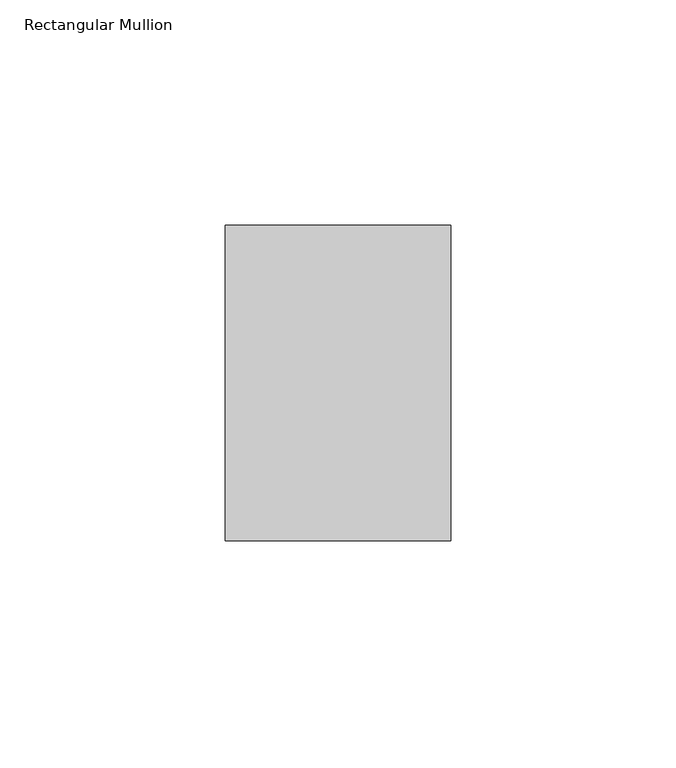
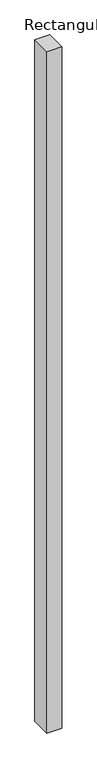
"""IFC4 building model written with IfcOpenShell, lengths in millimetres: member geometry, Rectangular Mullion."""

from ifc_helpers import new_model, si_unit, frame, origin, place, context, project, spatial, polyline, outline, extrude, source, transform, mapped, element, save


def rectangular_mullion_04bd825f(model_context):
    return source(origin(), model_context, "Body", "SweptSolid", [
        extrude(outline(polyline([(25.0, 35.0), (25.0, -35.0), (-25.0, -35.0), (-25.0, 35.0), (25.0, 35.0)])), frame((0.0, 0.0, -2425.0), z_axis=(0.0, 0.0, 1.0), x_axis=(1.0, 0.0, 0.0)), (0.0, 0.0, 1.0), 2425.0),
    ])


if __name__ == "__main__":
    model = new_model("IFC4")
    model_context = context("Model", 3, world=origin())
    ifc_project = project(units=[si_unit("LENGTHUNIT", "METRE", prefix="MILLI")], contexts=[model_context])
    site = spatial("IfcSite", under=ifc_project)
    building = spatial("IfcBuilding", under=site)
    placement = place(None, origin())
    rectangular_mullion_shape = rectangular_mullion_04bd825f(model_context)
    element("IfcMember", 1, ObjectType="Rectangular Mullion", at=placement, inside=building, context=model_context, shape_type="MappedRepresentation", body=[
        mapped(rectangular_mullion_shape, transform((0.0, 0.0, 0.0), x_axis=(1.0, 0.0, 0.0), y_axis=(0.0, 1.0, 0.0), z_axis=(0.0, 0.0, 1.0))),
    ])
    save(model, "model.ifc")
